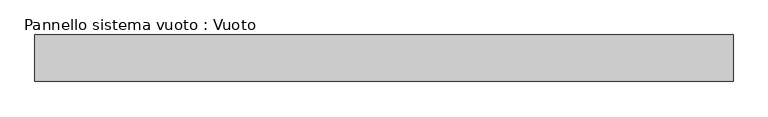
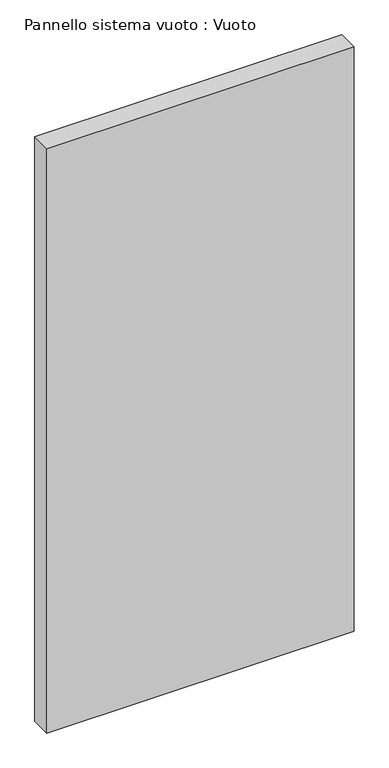
"""IFC4 building model written with IfcOpenShell, lengths in millimetres: plate geometry, Pannello sistema vuoto : Vuoto."""

from ifc_helpers import new_model, si_unit, origin, origin_with_axes, place, context, project, spatial, polyline, outline, extrude, source, transform, mapped, element, save


def pannello_sistema_vuoto_vuoto_16b095f1(model_context):
    return source(origin(), model_context, "Body", "SweptSolid", [
        extrude(outline(polyline([(750.0, 50.0), (-750.0, 50.0), (-750.0, 150.0), (750.0, 150.0), (750.0, 50.0)])), origin_with_axes(), (0.0, 0.0, 1.0), 3013.9182091),
    ])


if __name__ == "__main__":
    model = new_model("IFC4")
    model_context = context("Model", 3, world=origin())
    ifc_project = project(units=[si_unit("LENGTHUNIT", "METRE", prefix="MILLI")], contexts=[model_context])
    site = spatial("IfcSite", under=ifc_project)
    building = spatial("IfcBuilding", under=site)
    placement = place(None, origin())
    pannello_sistema_vuoto_vuoto_shape = pannello_sistema_vuoto_vuoto_16b095f1(model_context)
    element("IfcPlate", 1, ObjectType="Pannello sistema vuoto : Vuoto", at=placement, inside=building, context=model_context, shape_type="MappedRepresentation", body=[
        mapped(pannello_sistema_vuoto_vuoto_shape, transform((0.0, 0.0, 0.0), x_axis=(1.0, 0.0, 0.0), y_axis=(0.0, 1.0, 0.0), z_axis=(0.0, 0.0, 1.0))),
    ])
    save(model, "model.ifc")
